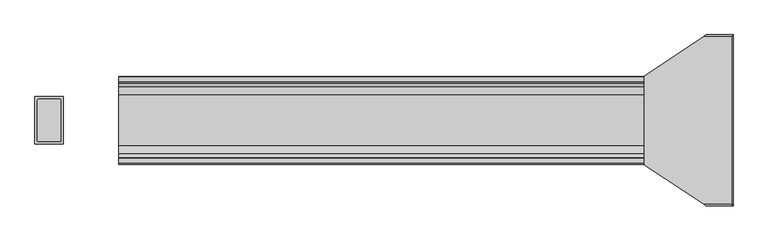
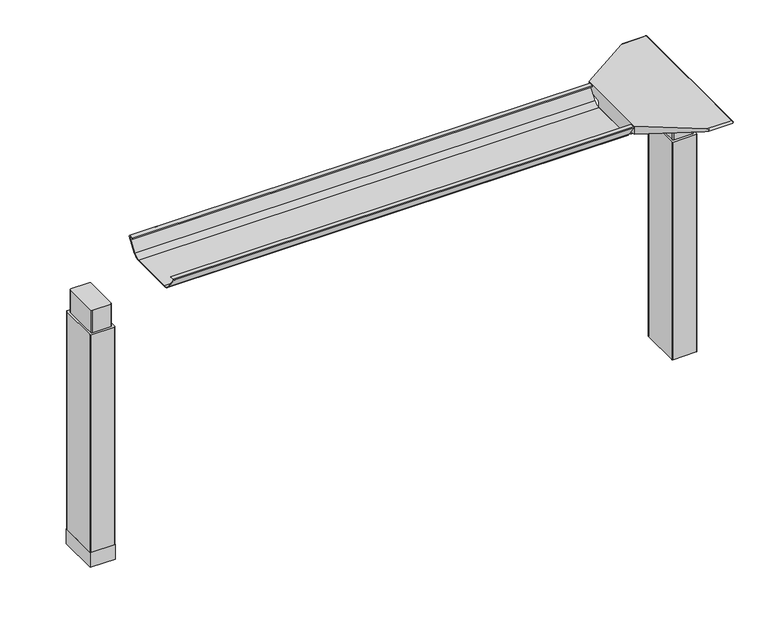
"""IFC4 building model written with IfcOpenShell, lengths in millimetres: furniture geometry."""

from ifc_helpers import new_model, si_unit, point, frame, frame_2d, origin, place, context, project, spatial, polyline, circle_curve, ellipse_curve, trimmed, segment, composite_curve, outline, extrude, source, transform, mapped, element, save
from ifc_brep_helpers import plane_surface, cylinder_surface, revolved_surface, advanced_brep


def furniture_7b3c4de7(model_context):
    return source(origin(), model_context, "Body", "SolidModel", [
        advanced_brep(
        [(565.7122138, 162.7292702, 658.5915733), (731.4406297, 162.7292702, 658.5915733), (728.9518591, 160.5008169, 655.9442785), (580.0924181, 160.5008169, 655.9442785), (554.2501644, 162.8754397, 662.4310191), (554.1075093, 162.9531058, 664.4710821), (551.4619573, 163.0290018, 666.4646485), (551.4619573, 163.3822827, 675.7443054), (734.0619089, 163.3822827, 675.7443054), (731.6625278, 162.738256, 658.8276054), (551.4619573, 168.8493181, 681.7839076), (734.9185362, 168.8493181, 681.7839076), (551.4619573, 202.6089953, 687.0209321), (673.2570453, 283.4205225, 699.5569507), (737.4393767, 283.4205225, 699.5569507), (737.5128152, 287.1965275, 700.0747243), (678.9480509, 287.1965275, 700.0747243), (738.1871296, 288.7067839, 704.8289399), (677.3404665, 286.1298888, 707.009), (736.4021288, 286.1298888, 707.009), (737.5128152, -68.7565275, 700.0747243), (738.1871296, -70.2667839, 704.8289399), (736.4021288, -67.6898888, 707.009), (677.3404665, -67.6898888, 707.009), (678.9480509, -68.7565275, 700.0747243), (737.4393767, -64.9805225, 699.5569507), (673.2570453, -64.9805225, 699.5569507), (551.4619573, 49.5906819, 681.7839076), (734.9185362, 49.5906819, 681.7839076), (551.4619573, 15.8310047, 687.0209321), (551.4619573, 55.0577173, 675.7443054), (734.0619089, 55.0577173, 675.7443054), (551.4619573, 55.4109982, 666.4646485), (554.1075093, 55.4868942, 664.4710821), (554.2501644, 55.5645603, 662.4310191), (565.7122138, 55.7107298, 658.5915733), (731.4406297, 55.7107298, 658.5915733), (731.6625278, 55.701744, 658.8276054), (580.0924181, 57.9391831, 655.9442785), (728.9518591, 57.9391831, 655.9442785), (551.4619573, 202.6089953, 707.009), (551.4619573, 15.8310047, 707.009)],
        [
            (0, 1),
            (1, 2),
            (2, 3),
            (3, 0, ellipse_curve(frame((589.9936465, 239.7670009, 750.1086722), z_axis=(0.0, 0.7650318638532565, -0.6439924279750596), x_axis=(0.0, -0.6439924279750596, -0.7650318638532564)), 123.7641411, 94.6835116)),
            (0, 4, ellipse_curve(frame((589.9936465, 166.2133686, 750.1086722), z_axis=(0.0, 0.9992761066836392, -0.03804290487315862), x_axis=(0.0, -0.03804290487315623, -0.9992761066836393)), 94.752102, 94.6835116)),
            (4, 5),
            (5, 6),
            (6, 7),
            (7, 8),
            (8, 9),
            (9, 1),
            (7, 10, circle_curve(frame((551.4619573, 169.8408409, 675.3922075), z_axis=(-1.0, 0.0, 0.0), x_axis=(0.0, 1.0, 0.0)), 6.4681487)),
            (10, 11),
            (11, 8, ellipse_curve(frame((734.0119691, 169.8408409, 675.3922075), z_axis=(0.9900906714849659, 0.0, -0.1404295632637567), x_axis=(-0.1404295632637562, 0.0, -0.9900906714849659)), 6.5328852, 6.4681487)),
            (10, 12),
            (12, 13),
            (13, 14),
            (14, 11),
            (15, 14),
            (13, 16),
            (16, 15),
            (17, 15, ellipse_curve(frame((737.9730772, 285.2194111, 703.3197755), z_axis=(-0.9900906714849659, 0.0, 0.1404295632637567), x_axis=(0.1404295632637562, 0.0, 0.9900906714849659)), 3.8379455, 3.7999141)),
            (16, 18, ellipse_curve(frame((675.96824, 285.2194111, 703.3197755), z_axis=(0.5528743936295236, -0.8332646067539331, 0.0), x_axis=(0.833264606753933, 0.5528743936295237, 0.0)), 6.8730151, 3.7999141)),
            (18, 19),
            (19, 17, ellipse_curve(frame((739.422811, 285.2194111, 703.3197755), z_axis=(-0.7737284588399557, 0.0, -0.633517380962154), x_axis=(0.6335173809621538, 0.0, -0.7737284588399556)), 4.9111727, 3.7999141)),
            (20, 21, ellipse_curve(frame((737.9730772, -66.7794111, 703.3197755), z_axis=(-0.9900906714849659, 0.0, 0.1404295632637567), x_axis=(0.1404295632637562, 0.0, 0.9900906714849659)), 3.8379455, 3.7999141)),
            (21, 22, ellipse_curve(frame((739.422811, -66.7794111, 703.3197755), z_axis=(-0.7737284588399557, 0.0, -0.633517380962154), x_axis=(0.6335173809621538, 0.0, -0.7737284588399556)), 4.9111727, 3.7999141)),
            (22, 23),
            (23, 24, ellipse_curve(frame((675.96824, -66.7794111, 703.3197755), z_axis=(0.5528743936295044, 0.8332646067539458, 0.0), x_axis=(0.8332646067539458, -0.5528743936295044, 0.0)), 6.8730151, 3.7999141)),
            (24, 20),
            (25, 20),
            (24, 26),
            (26, 25),
            (27, 28),
            (28, 25),
            (26, 29),
            (29, 27),
            (27, 30, circle_curve(frame((551.4619573, 48.5991591, 675.3922075), z_axis=(-1.0, 0.0, 0.0), x_axis=(0.0, 1.0, 0.0)), 6.4681487)),
            (30, 31),
            (31, 28, ellipse_curve(frame((734.0119691, 48.5991591, 675.3922075), z_axis=(0.9900906714849659, 0.0, -0.1404295632637567), x_axis=(-0.1404295632637562, 0.0, -0.9900906714849659)), 6.5328852, 6.4681487)),
            (30, 32),
            (32, 33),
            (33, 34),
            (34, 35, ellipse_curve(frame((589.9936465, 52.2266314, 750.1086722), z_axis=(0.0, -0.9992761066836363, -0.03804290487323539), x_axis=(0.0, -0.03804290487323121, 0.9992761066836364)), 94.752102, 94.6835116)),
            (35, 36),
            (36, 37),
            (37, 31),
            (35, 38, ellipse_curve(frame((589.9936465, -21.3270009, 750.1086722), z_axis=(0.0, -0.7650318638534733, -0.643992427974802), x_axis=(0.0, -0.643992427974802, 0.7650318638534732)), 123.7641411, 94.6835116)),
            (38, 39),
            (39, 36),
            (37, 9),
            (17, 21),
            (19, 22),
            (18, 40),
            (40, 41),
            (41, 23),
            (6, 32),
            (29, 41),
            (40, 12),
            (5, 33),
            (4, 34),
            (3, 38),
            (2, 39),
        ],
        [
            plane_surface(frame((551.4619573, 160.5008169, 655.9442785), z_axis=(0.0, 0.7650318638532565, -0.6439924279750596), x_axis=(1.0, 0.0, 0.0))),
            plane_surface(frame((551.4619573, 162.7292702, 658.5915733), z_axis=(0.0, 0.9992761066836392, -0.03804290487315862), x_axis=(1.0, 0.0, 0.0))),
            revolved_surface(polyline([(551.4619573, 176.3089896, 675.3922075), (734.9293793154882, 176.3089896, 675.3922075)]), (551.4619573, 169.8408409, 675.3922075), (-1.0, 0.0, 0.0)),
            plane_surface(frame((551.4619573, 168.8493181, 681.7839076), z_axis=(0.0, 0.15329313587140309, -0.988180760030629), x_axis=(1.0, 0.0, 0.0))),
            plane_surface(frame((551.4619573, 283.4205225, 699.5569507), z_axis=(0.0, 0.1358508546900816, -0.9907292996979419), x_axis=(1.0, 0.0, 0.0))),
            cylinder_surface(frame((551.4619573, 285.2194111, 703.3197755), z_axis=(1.0, 0.0, 0.0), x_axis=(0.0, 1.0, 0.0)), 3.7999141),
            cylinder_surface(frame((551.4619573, -66.7794111, 703.3197755), z_axis=(1.0, 0.0, 0.0), x_axis=(0.0, 1.0, 0.0)), 3.7999141),
            plane_surface(frame((551.4619573, -68.7565275, 700.0747243), z_axis=(0.0, -0.1358508546877776, -0.9907292996982578), x_axis=(1.0, 0.0, 0.0))),
            plane_surface(frame((551.4619573, -64.9805225, 699.5569507), z_axis=(0.0, -0.15329313587141113, -0.9881807600306277), x_axis=(1.0, 0.0, 0.0))),
            revolved_surface(polyline([(551.4619573, 55.0673078, 675.3922075), (734.9293793154882, 55.0673078, 675.3922075)]), (551.4619573, 48.5991591, 675.3922075), (-1.0, 0.0, 0.0)),
            plane_surface(frame((551.4619573, 55.0577173, 675.7443054), z_axis=(0.0, -0.9992761066836363, -0.03804290487323539), x_axis=(1.0, 0.0, 0.0))),
            plane_surface(frame((551.4619573, 55.7107298, 658.5915733), z_axis=(0.0, -0.7650318638534733, -0.643992427974802), x_axis=(1.0, 0.0, 0.0))),
            plane_surface(frame((731.6625278, -81.28, 658.8276054), z_axis=(0.9900906714849659, 0.0, -0.1404295632637567), x_axis=(0.0, 1.0, 0.0))),
            plane_surface(frame((738.1871296, -81.28, 704.8289399), z_axis=(0.7737284588399557, 0.0, 0.633517380962154), x_axis=(0.0, 1.0, 0.0))),
            plane_surface(frame((736.4021288, -81.28, 707.009), z_axis=(0.0, 0.0, 1.0), x_axis=(0.0, 1.0, 0.0))),
            plane_surface(frame((551.4619573, -81.28, 707.009), z_axis=(-1.0, 0.0, 0.0), x_axis=(0.0, 1.0, 0.0))),
            plane_surface(frame((551.4619573, -81.28, 666.4646485), z_axis=(-0.6018150231540728, 0.0, -0.7986355100457674), x_axis=(0.0, 1.0, 0.0))),
            plane_surface(frame((554.1075093, -81.28, 664.4710821), z_axis=(-0.9975640502598287, 0.0, -0.06975647374406109), x_axis=(0.0, 1.0, 0.0))),
            cylinder_surface(frame((589.9936465, -81.28, 750.1086722), z_axis=(0.0, -1.0, 0.0), x_axis=(-1.0, 0.0, 0.0)), 94.6835116),
            plane_surface(frame((580.0924181, -81.28, 655.9442785), z_axis=(0.0, 0.0, -1.0), x_axis=(0.0, 1.0, 0.0))),
            plane_surface(frame((728.9518591, -81.28, 655.9442785), z_axis=(0.7285846064222696, 0.0, -0.6849558170309284), x_axis=(0.0, 1.0, 0.0))),
            plane_surface(frame((551.4619573, 202.6089953, 707.009), z_axis=(-0.5528743936295236, 0.8332646067539331, 0.0), x_axis=(0.0, 0.0, -1.0))),
            plane_surface(frame((697.8228017, -81.28, 707.009), z_axis=(-0.5528743936295044, -0.8332646067539458, 0.0), x_axis=(0.0, 0.0, -1.0))),
        ],
        [
            (0, [[1, 2, 3, 4]]),
            (1, [[-1, 5, 6, 7, 8, 9, 10, 11]]),
            (2, [[-9, 12, 13, 14]]),
            (3, [[-13, 15, 16, 17, 18]]),
            (4, [[19, -17, 20, 21]]),
            (5, [[22, -21, 23, 24, 25]]),
            (6, [[26, 27, 28, 29, 30]]),
            (7, [[31, -30, 32, 33]]),
            (8, [[34, 35, -33, 36, 37]]),
            (9, [[-34, 38, 39, 40]]),
            (10, [[-39, 41, 42, 43, 44, 45, 46, 47]]),
            (11, [[-45, 48, 49, 50]]),
            (12, [[51, -10, -14, -18, -19, -22, 52, -26, -31, -35, -40, -47]]),
            (13, [[-52, -25, 53, -27]]),
            (14, [[-53, -24, 54, 55, 56, -28]]),
            (15, [[57, -41, -38, -37, 58, -55, 59, -15, -12, -8]]),
            (16, [[-57, -7, 60, -42]]),
            (17, [[-60, -6, 61, -43]]),
            (18, [[-61, -5, -4, 62, -48, -44]]),
            (19, [[-62, -3, 63, -49]]),
            (20, [[-51, -46, -50, -63, -2, -11]]),
            (21, [[-54, -23, -20, -16, -59]]),
            (22, [[-56, -58, -36, -32, -29]]),
        ],
    ),
        advanced_brep(
        [(-551.2773962, 187.9031697, 701.7794894), (-551.2773962, 189.6675242, 704.0075511), (-551.2773962, 200.6481225, 704.0075511), (-551.2773962, 201.3782919, 701.4093085), (-551.2773962, 179.9519108, 671.8462148), (-551.2773962, 162.5510914, 663.2452863), (-551.2773962, 55.7632156, 663.2452863), (-551.2773962, 38.1354217, 672.2997482), (-551.2773962, 16.8007138, 702.0706054), (-551.2773962, 18.4392766, 704.1266572), (-551.2773962, 28.6544098, 704.1266572), (-551.2773962, 30.5253848, 701.7794894), (-551.2773962, 29.7841637, 701.2423822), (-551.2773962, 28.2139363, 703.2122572), (-551.2773962, 18.5353238, 703.2122572), (-551.2773962, 17.7294351, 702.3444366), (-551.2773962, 38.8786744, 672.8323858), (-551.2773962, 55.7632156, 664.1598536), (-551.2773962, 162.5510914, 664.1596863), (-551.2773962, 179.21844, 672.3923713), (-551.2773962, 200.5721627, 701.8552144), (-551.2773962, 200.3148942, 703.0931511), (-551.2773962, 190.109809, 703.0931511), (-551.2773962, 188.6442719, 701.2424419), (551.4619573, 187.9031697, 701.7794894), (551.4619573, 188.6442719, 701.2424419), (551.4619573, 190.109809, 703.0931511), (551.4619573, 200.3148942, 703.0931511), (551.4619573, 200.5721627, 701.8552144), (551.4619573, 179.21844, 672.3923713), (551.4619573, 162.5510914, 664.1596863), (551.4619573, 55.7632155, 664.1596863), (551.4619573, 38.8786744, 672.8323858), (551.4619573, 17.7294351, 702.3444366), (551.4619573, 18.5353238, 703.2122572), (551.4619573, 28.2139363, 703.2122572), (551.4619573, 29.7841637, 701.2423822), (551.4619573, 30.5253848, 701.7794894), (551.4619573, 28.6544098, 704.1266572), (551.4619573, 18.4392766, 704.1266572), (551.4619573, 16.8007138, 702.0706054), (551.4619573, 38.1354217, 672.2997482), (551.4619573, 55.7632156, 663.2454536), (551.4619573, 162.5510914, 663.2452863), (551.4619573, 179.9519108, 671.8462148), (551.4619573, 201.3782919, 701.4093085), (551.4619573, 200.6481225, 704.0075511), (551.4619573, 189.6675242, 704.0075511)],
        [
            (0, 1),
            (1, 2),
            (2, 3, circle_curve(frame((-551.2773962, 199.4305576, 702.2636667), z_axis=(-1.0, 0.0, 0.0), x_axis=(0.0, 1.0, 0.0)), 2.1268749)),
            (3, 4),
            (4, 5, circle_curve(frame((-551.2773962, 162.5510914, 685.1478336), z_axis=(-1.0, 0.0, 0.0), x_axis=(0.0, 1.0, 0.0)), 21.9025472)),
            (5, 6),
            (6, 7, circle_curve(frame((-551.2773962, 55.7632156, 684.932365), z_axis=(-1.0, 0.0, 0.0), x_axis=(0.0, 1.0, 0.0)), 21.6869114)),
            (7, 8),
            (8, 9, circle_curve(frame((-551.2773962, 18.8010635, 702.1573833), z_axis=(-1.0, 0.0, 0.0), x_axis=(0.0, 1.0, 0.0)), 2.0022311)),
            (9, 10),
            (10, 11),
            (11, 12),
            (12, 13),
            (13, 14),
            (14, 15, circle_curve(frame((-551.2773962, 18.8010635, 702.1573833), z_axis=(1.0, 0.0, 0.0), x_axis=(0.0, 1.0, 0.0)), 1.0878311)),
            (15, 16),
            (16, 17, circle_curve(frame((-551.2773962, 55.7632156, 684.932365), z_axis=(1.0, 0.0, 0.0), x_axis=(0.0, 1.0, 0.0)), 20.7725114)),
            (17, 18),
            (18, 19, circle_curve(frame((-551.2773962, 162.5510914, 685.1478336), z_axis=(1.0, 0.0, 0.0), x_axis=(0.0, 1.0, 0.0)), 20.9881473)),
            (19, 20),
            (20, 21, circle_curve(frame((-551.2773962, 199.4305576, 702.2636667), z_axis=(1.0, 0.0, 0.0), x_axis=(0.0, 1.0, 0.0)), 1.2124749)),
            (21, 22),
            (22, 23),
            (23, 0),
            (24, 25),
            (25, 26),
            (26, 27),
            (27, 28, circle_curve(frame((551.4619573, 199.4305576, 702.2636667), z_axis=(-1.0, 0.0, 0.0), x_axis=(0.0, 1.0, 0.0)), 1.2124749)),
            (28, 29),
            (29, 30, circle_curve(frame((551.4619573, 162.5510914, 685.1478336), z_axis=(-1.0, 0.0, 0.0), x_axis=(0.0, 1.0, 0.0)), 20.9881473)),
            (30, 31),
            (31, 32, circle_curve(frame((551.4619573, 55.7632156, 684.932365), z_axis=(-1.0, 0.0, 0.0), x_axis=(0.0, 1.0, 0.0)), 20.7725114)),
            (32, 33),
            (33, 34, circle_curve(frame((551.4619573, 18.8010635, 702.1573833), z_axis=(-1.0, 0.0, 0.0), x_axis=(0.0, 1.0, 0.0)), 1.0878311)),
            (34, 35),
            (35, 36),
            (36, 37),
            (37, 38),
            (38, 39),
            (39, 40, circle_curve(frame((551.4619573, 18.8010635, 702.1573833), z_axis=(1.0, 0.0, 0.0), x_axis=(0.0, 1.0, 0.0)), 2.0022311)),
            (40, 41),
            (41, 42, circle_curve(frame((551.4619573, 55.7632156, 684.932365), z_axis=(1.0, 0.0, 0.0), x_axis=(0.0, 1.0, 0.0)), 21.6869114)),
            (42, 43),
            (43, 44, circle_curve(frame((551.4619573, 162.5510914, 685.1478336), z_axis=(1.0, 0.0, 0.0), x_axis=(0.0, 1.0, 0.0)), 21.9025472)),
            (44, 45),
            (45, 46, circle_curve(frame((551.4619573, 199.4305576, 702.2636667), z_axis=(1.0, 0.0, 0.0), x_axis=(0.0, 1.0, 0.0)), 2.1268749)),
            (46, 47),
            (47, 24),
            (0, 24),
            (47, 1),
            (46, 2),
            (45, 3),
            (44, 4),
            (43, 5),
            (42, 6),
            (41, 7),
            (40, 8),
            (39, 9),
            (38, 10),
            (37, 11),
            (36, 12),
            (35, 13),
            (34, 14),
            (33, 15),
            (32, 16),
            (31, 17),
            (30, 18),
            (29, 19),
            (28, 20),
            (27, 21),
            (26, 22),
            (25, 23),
        ],
        [
            plane_surface(frame((-551.2773962, 109.22, 707.009), z_axis=(-1.0, 0.0, 0.0), x_axis=(0.0, 0.0, 1.0))),
            plane_surface(frame((551.4619573, 109.22, 707.009), z_axis=(1.0, 0.0, 0.0), x_axis=(0.0, 0.0, 1.0))),
            plane_surface(frame((-551.2773962, 187.9031697, 701.7794894), z_axis=(0.0, -0.7839649337165058, 0.6208051084703434), x_axis=(1.0, 0.0, 0.0))),
            plane_surface(frame((-551.2773962, 189.6675242, 704.0075511), z_axis=(0.0, 0.0, 1.0), x_axis=(1.0, 0.0, 0.0))),
            cylinder_surface(frame((-551.2773962, 199.4305576, 702.2636667), z_axis=(-1.0, 0.0, 0.0), x_axis=(0.0, 1.0, 0.0)), 2.1268749),
            plane_surface(frame((-551.2773962, 201.3782919, 701.4093085), z_axis=(0.0, 0.8096997445281038, -0.586844377762217), x_axis=(1.0, 0.0, 0.0))),
            cylinder_surface(frame((-551.2773962, 162.5510914, 685.1478336), z_axis=(-1.0, 0.0, 0.0), x_axis=(0.0, 1.0, 0.0)), 21.9025472),
            plane_surface(frame((-551.2773962, 162.5510914, 663.2452863), z_axis=(0.0, 0.0, -1.0), x_axis=(1.0, 0.0, 0.0))),
            cylinder_surface(frame((-551.2773962, 55.7632156, 684.932365), z_axis=(-1.0, 0.0, 0.0), x_axis=(0.0, 1.0, 0.0)), 21.6869114),
            plane_surface(frame((-551.2773962, 38.1354217, 672.2997482), z_axis=(0.0, -0.8128309997561537, -0.5824995844079305), x_axis=(1.0, 0.0, 0.0))),
            cylinder_surface(frame((-551.2773962, 18.8010635, 702.1573833), z_axis=(-1.0, 0.0, 0.0), x_axis=(0.0, 1.0, 0.0)), 2.0022311),
            plane_surface(frame((-551.2773962, 18.4392766, 704.1266572), z_axis=(0.0, 0.0, 1.0), x_axis=(1.0, 0.0, 0.0))),
            plane_surface(frame((-551.2773962, 28.6544098, 704.1266572), z_axis=(0.0, 0.7819660587237972, 0.6233210112004657), x_axis=(1.0, 0.0, 0.0))),
            plane_surface(frame((-551.2773962, 30.5253848, 701.7794894), z_axis=(0.0, 0.5867684336468096, -0.8097547809526473), x_axis=(1.0, 0.0, 0.0))),
            plane_surface(frame((-551.2773962, 29.7841637, 701.2423822), z_axis=(0.0, -0.7819660587239206, -0.6233210112003109), x_axis=(1.0, 0.0, 0.0))),
            plane_surface(frame((-551.2773962, 28.2139363, 703.2122572), z_axis=(0.0, 0.0, -1.0), x_axis=(1.0, 0.0, 0.0))),
            revolved_surface(polyline([(551.4619573000001, 19.8888946, 702.1573833), (-551.2773962, 19.8888946, 702.1573833)]), (-551.2773962, 18.8010635, 702.1573833), (1.0, 0.0, 0.0)),
            plane_surface(frame((-551.2773962, 17.7294351, 702.3444366), z_axis=(0.0, 0.8128309996716102, 0.582499584525904), x_axis=(1.0, 0.0, 0.0))),
            revolved_surface(polyline([(551.4619573000001, 76.53572700000001, 684.932365), (-551.2773962, 76.53572700000001, 684.932365)]), (-551.2773962, 55.7632156, 684.932365), (1.0, 0.0, 0.0)),
            plane_surface(frame((-551.2773962, 55.7632155, 664.1596863), z_axis=(0.0, 0.0, 1.0), x_axis=(1.0, 0.0, 0.0))),
            revolved_surface(polyline([(551.4619573000001, 183.5392387, 685.1478336), (-551.2773962, 183.5392387, 685.1478336)]), (-551.2773962, 162.5510914, 685.1478336), (1.0, 0.0, 0.0)),
            plane_surface(frame((-551.2773962, 179.21844, 672.3923713), z_axis=(0.0, -0.8096997449536107, 0.5868443771751228), x_axis=(1.0, 0.0, 0.0))),
            revolved_surface(polyline([(551.4619573000001, 200.64303249999998, 702.2636667), (-551.2773962, 200.64303249999998, 702.2636667)]), (-551.2773962, 199.4305576, 702.2636667), (1.0, 0.0, 0.0)),
            plane_surface(frame((-551.2773962, 200.3148942, 703.0931511), z_axis=(0.0, 0.0, -1.0), x_axis=(1.0, 0.0, 0.0))),
            plane_surface(frame((-551.2773962, 190.109809, 703.0931511), z_axis=(0.0, 0.7839649337164979, -0.6208051084703533), x_axis=(1.0, 0.0, 0.0))),
            plane_surface(frame((-551.2773962, 188.6442719, 701.2424419), z_axis=(0.0, -0.5867873637752554, -0.8097410633737715), x_axis=(1.0, 0.0, 0.0))),
        ],
        [
            (0, [[1, 2, 3, 4, 5, 6, 7, 8, 9, 10, 11, 12, 13, 14, 15, 16, 17, 18, 19, 20, 21, 22, 23, 24]]),
            (1, [[25, 26, 27, 28, 29, 30, 31, 32, 33, 34, 35, 36, 37, 38, 39, 40, 41, 42, 43, 44, 45, 46, 47, 48]]),
            (2, [[-1, 49, -48, 50]]),
            (3, [[-2, -50, -47, 51]]),
            (4, [[-3, -51, -46, 52]]),
            (5, [[-4, -52, -45, 53]]),
            (6, [[-5, -53, -44, 54]]),
            (7, [[-6, -54, -43, 55]]),
            (8, [[-7, -55, -42, 56]]),
            (9, [[-8, -56, -41, 57]]),
            (10, [[-9, -57, -40, 58]]),
            (11, [[-10, -58, -39, 59]]),
            (12, [[-11, -59, -38, 60]]),
            (13, [[-12, -60, -37, 61]]),
            (14, [[-13, -61, -36, 62]]),
            (15, [[-14, -62, -35, 63]]),
            (16, [[-15, -63, -34, 64]]),
            (17, [[-16, -64, -33, 65]]),
            (18, [[-17, -65, -32, 66]]),
            (19, [[-18, -66, -31, 67]]),
            (20, [[-19, -67, -30, 68]]),
            (21, [[-20, -68, -29, 69]]),
            (22, [[-21, -69, -28, 70]]),
            (23, [[-22, -70, -27, 71]]),
            (24, [[-23, -71, -26, 72]]),
            (25, [[-24, -72, -25, -49]]),
        ],
    ),
        advanced_brep(
        [(675.0283088, 153.9682497, 655.9442785), (672.2624028, 151.6150111, 655.9442785), (672.2624028, 66.8413858, 655.9442785), (675.3159671, 64.491987, 655.9442785), (718.6299922, 64.4717503, 655.9442785), (721.6895972, 66.8414936, 655.9442785), (721.6895972, 151.6150956, 655.9442785), (718.9236912, 153.9682497, 655.9442785), (675.0283088, 153.9682497, 599.0990058), (718.9236912, 153.9682497, 599.0990058), (721.6895972, 151.6150956, 599.0990058), (721.6895972, 66.8414936, 599.0990058), (718.6360098, 64.4919923, 599.0990058), (675.3220078, 64.4717503, 599.0990058), (672.2624028, 66.8413858, 599.0990058), (672.2624028, 151.6150111, 599.0990058)],
        [
            (0, 1, circle_curve(frame((675.3300788, 150.8114719, 655.9442785), z_axis=(0.0, 0.0, 1.0), x_axis=(1.0, 0.0, 0.0)), 3.1711688)),
            (1, 2),
            (2, 3, circle_curve(frame((675.3159671, 67.651078, 655.9442785), z_axis=(0.0, 0.0, 1.0), x_axis=(1.0, 0.0, 0.0)), 3.1590911)),
            (3, 4),
            (4, 5, circle_curve(frame((718.6360098, 67.651078, 655.9442785), z_axis=(0.0, 0.0, 1.0), x_axis=(1.0, 0.0, 0.0)), 3.1590858)),
            (5, 6),
            (6, 7, circle_curve(frame((718.6219439, 150.8114698, 655.9442785), z_axis=(0.0, 0.0, 1.0), x_axis=(1.0, 0.0, 0.0)), 3.1711687)),
            (7, 0),
            (8, 9),
            (9, 10, circle_curve(frame((718.6219439, 150.8114698, 599.0990058), z_axis=(0.0, 0.0, -1.0), x_axis=(1.0, 0.0, 0.0)), 3.1711687)),
            (10, 11),
            (11, 12, circle_curve(frame((718.6360098, 67.651078, 599.0990058), z_axis=(0.0, 0.0, -1.0), x_axis=(1.0, 0.0, 0.0)), 3.1590858)),
            (12, 13),
            (13, 14, circle_curve(frame((675.3159671, 67.651078, 599.0990058), z_axis=(0.0, 0.0, -1.0), x_axis=(1.0, 0.0, 0.0)), 3.1590911)),
            (14, 15),
            (15, 8, circle_curve(frame((675.3300788, 150.8114719, 599.0990058), z_axis=(0.0, 0.0, -1.0), x_axis=(1.0, 0.0, 0.0)), 3.1711688)),
            (7, 9),
            (8, 0),
            (6, 10),
            (5, 11),
            (4, 12),
            (3, 13),
            (2, 14),
            (1, 15),
        ],
        [
            plane_surface(frame((678.5012476, 150.8114719, 655.9442785), z_axis=(0.0, 0.0, 1.0), x_axis=(0.0, 1.0, 0.0))),
            plane_surface(frame((678.5012476, 150.8114719, 599.0990058), z_axis=(0.0, 0.0, -1.0), x_axis=(0.0, -1.0, 0.0))),
            plane_surface(frame((718.9236912, 153.9682497, 655.9442785), z_axis=(0.0, 1.0, 0.0), x_axis=(0.0, 0.0, -1.0))),
            cylinder_surface(frame((718.6219439, 150.8114698, 599.0990058), z_axis=(0.0, 0.0, 1.0), x_axis=(1.0, 0.0, 0.0)), 3.1711687),
            plane_surface(frame((721.6895972, 66.8414936, 655.9442785), z_axis=(1.0, 0.0, 0.0), x_axis=(0.0, 0.0, -1.0))),
            cylinder_surface(frame((718.6360098, 67.651078, 599.0990058), z_axis=(0.0, 0.0, 1.0), x_axis=(1.0, 0.0, 0.0)), 3.1590858),
            plane_surface(frame((675.3220078, 64.4717503, 655.9442785), z_axis=(0.0, -1.0, 0.0), x_axis=(0.0, 0.0, -1.0))),
            cylinder_surface(frame((675.3159671, 67.651078, 599.0990058), z_axis=(0.0, 0.0, 1.0), x_axis=(1.0, 0.0, 0.0)), 3.1590911),
            plane_surface(frame((672.2624028, 151.6150111, 655.9442785), z_axis=(-1.0, 0.0, 0.0), x_axis=(0.0, 0.0, -1.0))),
            cylinder_surface(frame((675.3300788, 150.8114719, 599.0990058), z_axis=(0.0, 0.0, 1.0), x_axis=(1.0, 0.0, 0.0)), 3.1711688),
        ],
        [
            (0, [[1, 2, 3, 4, 5, 6, 7, 8]]),
            (1, [[9, 10, 11, 12, 13, 14, 15, 16]]),
            (2, [[-8, 17, -9, 18]]),
            (3, [[-7, 19, -10, -17]]),
            (4, [[-6, 20, -11, -19]]),
            (5, [[-5, 21, -12, -20]]),
            (6, [[-4, 22, -13, -21]]),
            (7, [[-3, 23, -14, -22]]),
            (8, [[-2, 24, -15, -23]]),
            (9, [[-1, -18, -16, -24]]),
        ],
    ),
        advanced_brep(
        [(-675.0283088, 153.9682497, 655.9442785), (-718.9236912, 153.9682497, 655.9442785), (-721.6806448, 151.6485241, 655.9442785), (-721.6806448, 66.8084508, 655.9442785), (-718.6360098, 64.4919923, 655.9442785), (-675.3220078, 64.4717503, 655.9442785), (-672.2713552, 66.8083475, 655.9442785), (-672.2713552, 151.6484433, 655.9442785), (-675.0283088, 153.9682497, 599.0990058), (-672.2713552, 151.6484433, 599.0990058), (-672.2713552, 66.8083475, 599.0990058), (-675.3159671, 64.491987, 599.0990058), (-718.6299922, 64.4717503, 599.0990058), (-721.6806448, 66.8084508, 599.0990058), (-721.6806448, 151.6485241, 599.0990058), (-718.9236912, 153.9682497, 599.0990058)],
        [
            (0, 1),
            (1, 2, circle_curve(frame((-718.6219439, 150.8114698, 655.9442785), z_axis=(0.0, 0.0, 1.0), x_axis=(-1.0, 0.0, 0.0)), 3.1711687)),
            (2, 3),
            (3, 4, circle_curve(frame((-718.6360098, 67.651078, 655.9442785), z_axis=(0.0, 0.0, 1.0), x_axis=(-1.0, 0.0, 0.0)), 3.1590858)),
            (4, 5),
            (5, 6, circle_curve(frame((-675.3159671, 67.6510781, 655.9442785), z_axis=(0.0, 0.0, 1.0), x_axis=(-1.0, 0.0, 0.0)), 3.1590911)),
            (6, 7),
            (7, 0, circle_curve(frame((-675.3300788, 150.8114719, 655.9442785), z_axis=(0.0, 0.0, 1.0), x_axis=(-1.0, 0.0, 0.0)), 3.1711688)),
            (8, 9, circle_curve(frame((-675.3300788, 150.8114719, 599.0990058), z_axis=(0.0, 0.0, -1.0), x_axis=(-1.0, 0.0, 0.0)), 3.1711688)),
            (9, 10),
            (10, 11, circle_curve(frame((-675.3159671, 67.6510781, 599.0990058), z_axis=(0.0, 0.0, -1.0), x_axis=(-1.0, 0.0, 0.0)), 3.1590911)),
            (11, 12),
            (12, 13, circle_curve(frame((-718.6360098, 67.651078, 599.0990058), z_axis=(0.0, 0.0, -1.0), x_axis=(-1.0, 0.0, 0.0)), 3.1590858)),
            (13, 14),
            (14, 15, circle_curve(frame((-718.6219439, 150.8114698, 599.0990058), z_axis=(0.0, 0.0, -1.0), x_axis=(-1.0, 0.0, 0.0)), 3.1711687)),
            (15, 8),
            (0, 8),
            (15, 1),
            (14, 2),
            (13, 3),
            (12, 4),
            (11, 5),
            (10, 6),
            (9, 7),
        ],
        [
            plane_surface(frame((-718.9236912, 153.9682497, 655.9442785), z_axis=(0.0, 0.0, 1.0), x_axis=(-1.0, 0.0, 0.0))),
            plane_surface(frame((-718.9236912, 153.9682497, 599.0990058), z_axis=(0.0, 0.0, -1.0), x_axis=(1.0, 0.0, 0.0))),
            plane_surface(frame((-675.0283088, 153.9682497, 655.9442785), z_axis=(0.0, 1.0, 0.0), x_axis=(0.0, 0.0, -1.0))),
            cylinder_surface(frame((-718.6219439, 150.8114698, 599.0990058), z_axis=(0.0, 0.0, 1.0), x_axis=(-1.0, 0.0, 0.0)), 3.1711687),
            plane_surface(frame((-721.6806448, 151.6485241, 655.9442785), z_axis=(-1.0, 0.0, 0.0), x_axis=(0.0, 0.0, -1.0))),
            cylinder_surface(frame((-718.6360098, 67.651078, 599.0990058), z_axis=(0.0, 0.0, 1.0), x_axis=(-1.0, 0.0, 0.0)), 3.1590858),
            plane_surface(frame((-718.6299922, 64.4717503, 655.9442785), z_axis=(0.0, -1.0, 0.0), x_axis=(0.0, 0.0, -1.0))),
            cylinder_surface(frame((-675.3159671, 67.6510781, 599.0990058), z_axis=(0.0, 0.0, 1.0), x_axis=(-1.0, 0.0, 0.0)), 3.1590911),
            plane_surface(frame((-672.2713552, 66.8083475, 655.9442785), z_axis=(1.0, 0.0, 0.0), x_axis=(0.0, 0.0, -1.0))),
            cylinder_surface(frame((-675.3300788, 150.8114719, 599.0990058), z_axis=(0.0, 0.0, 1.0), x_axis=(-1.0, 0.0, 0.0)), 3.1711688),
        ],
        [
            (0, [[1, 2, 3, 4, 5, 6, 7, 8]]),
            (1, [[9, 10, 11, 12, 13, 14, 15, 16]]),
            (2, [[-1, 17, -16, 18]]),
            (3, [[-2, -18, -15, 19]]),
            (4, [[-3, -19, -14, 20]]),
            (5, [[-4, -20, -13, 21]]),
            (6, [[-5, -21, -12, 22]]),
            (7, [[-6, -22, -11, 23]]),
            (8, [[-7, -23, -10, 24]]),
            (9, [[-8, -24, -9, -17]]),
        ],
    ),
        extrude(outline(composite_curve([segment(trimmed(circle_curve(frame_2d((-669.316092, 156.945908)), 2.248592), [point((-669.316092, 159.1945))], [point((-667.0675, 156.945908))], False, "CARTESIAN"), True, "CONTINUOUS"), segment(polyline([(-667.0675, 156.945908), (-667.0675, 61.4941469)]), True, "CONTINUOUS"), segment(trimmed(circle_curve(frame_2d((-669.3161469, 61.4941469)), 2.2486469), [point((-667.0675, 61.4941469))], [point((-669.3161469, 59.2455))], False, "CARTESIAN"), True, "CONTINUOUS"), segment(polyline([(-669.3161469, 59.2455), (-724.635908, 59.2455)]), True, "CONTINUOUS"), segment(trimmed(circle_curve(frame_2d((-724.635908, 61.494092)), 2.248592), [point((-724.635908, 59.2455))], [point((-726.8845, 61.494092))], False, "CARTESIAN"), True, "CONTINUOUS"), segment(polyline([(-726.8845, 61.494092), (-726.8845, 156.945908)]), True, "CONTINUOUS"), segment(trimmed(circle_curve(frame_2d((-724.635908, 156.945908)), 2.248592), [point((-726.8845, 156.945908))], [point((-724.635908, 159.1945))], False, "CARTESIAN"), True, "CONTINUOUS"), segment(polyline([(-724.635908, 159.1945), (-669.316092, 159.1945)]), True, "CONTINUOUS")], self_intersect=False)), frame((0.0, 0.0, 48.1000573), z_axis=(0.0, 0.0, 1.0), x_axis=(1.0, 0.0, 0.0)), (0.0, 0.0, 1.0), 550.9989485),
        advanced_brep(
        [(-696.976, 127.2221653, 10.2361894), (-696.976, 141.2419153, 10.2361894), (-696.976, 140.8547401, 8.7946116), (-696.976, 127.6093405, 8.7946116), (-696.976, 134.2320403, 10.2361894), (-696.976, 113.2751519, 0.0), (-696.976, 155.1889286, 0.0), (-696.976, 134.2320403, 0.0), (-696.976, 111.7314216, 1.5436985), (-696.976, 156.732659, 1.5436985), (-696.976, 111.7314763, 4.1072626), (-696.976, 156.7326043, 4.1072626), (-696.976, 113.2713167, 5.9174378), (-696.976, 155.1927639, 5.9174378)],
        [
            (0, 1, circle_curve(frame((-696.976, 134.2320403, 10.2361894), z_axis=(0.0, 0.0, -1.0), x_axis=(0.0, 1.0, 0.0)), 7.009875)),
            (1, 2),
            (2, 3, circle_curve(frame((-696.976, 134.2320403, 8.7946116), z_axis=(0.0, 0.0, 1.0), x_axis=(0.0, 1.0, 0.0)), 6.6226998)),
            (3, 0),
            (1, 0, circle_curve(frame((-696.976, 134.2320403, 10.2361894), z_axis=(0.0, 0.0, -1.0), x_axis=(0.0, 1.0, 0.0)), 7.009875)),
            (3, 2, circle_curve(frame((-696.976, 134.2320403, 8.7946116), z_axis=(0.0, 0.0, 1.0), x_axis=(0.0, 1.0, 0.0)), 6.6226998)),
            (4, 1),
            (0, 4),
            (5, 6, circle_curve(frame((-696.976, 134.2320403, 0.0), z_axis=(0.0, 0.0, -1.0), x_axis=(0.0, 1.0, 0.0)), 20.9568884)),
            (6, 7),
            (7, 5),
            (6, 5, circle_curve(frame((-696.976, 134.2320403, 0.0), z_axis=(0.0, 0.0, -1.0), x_axis=(0.0, 1.0, 0.0)), 20.9568884)),
            (8, 9, circle_curve(frame((-696.976, 134.2320403, 1.5436985), z_axis=(0.0, 0.0, -1.0), x_axis=(0.0, 1.0, 0.0)), 22.5006187)),
            (9, 6),
            (5, 8),
            (9, 8, circle_curve(frame((-696.976, 134.2320403, 1.5436985), z_axis=(0.0, 0.0, -1.0), x_axis=(0.0, 1.0, 0.0)), 22.5006187)),
            (10, 11, circle_curve(frame((-696.976, 134.2320403, 4.1072626), z_axis=(0.0, 0.0, -1.0), x_axis=(0.0, 1.0, 0.0)), 22.500564)),
            (11, 9),
            (8, 10),
            (11, 10, circle_curve(frame((-696.976, 134.2320403, 4.1072626), z_axis=(0.0, 0.0, -1.0), x_axis=(0.0, 1.0, 0.0)), 22.500564)),
            (12, 13, circle_curve(frame((-696.976, 134.2320403, 5.9174378), z_axis=(0.0, 0.0, -1.0), x_axis=(0.0, 1.0, 0.0)), 20.9607236)),
            (13, 11),
            (10, 12),
            (13, 12, circle_curve(frame((-696.976, 134.2320403, 5.9174378), z_axis=(0.0, 0.0, -1.0), x_axis=(0.0, 1.0, 0.0)), 20.9607236)),
            (2, 13),
            (12, 3),
        ],
        [
            revolved_surface(polyline([(-696.976, 140.8547401, 8.7946116), (-696.976, 141.2419153, 10.2361894)]), (-696.976, 134.2320403, 0.0), (0.0, 0.0, 1.0)),
            plane_surface(frame((-696.976, 134.2320403, 10.2361894), z_axis=(0.0, 0.0, 1.0), x_axis=(0.0, 1.0, 0.0))),
            plane_surface(frame((-696.976, 134.2320403, 0.0), z_axis=(0.0, 0.0, -1.0), x_axis=(0.0, 1.0, 0.0))),
            revolved_surface(polyline([(-696.976, 155.1889286, 0.0), (-696.976, 156.732659, 1.5436985)]), (-696.976, 134.2320403, 0.0), (0.0, 0.0, 1.0)),
            cylinder_surface(frame((-696.976, 134.2320403, 0.0), z_axis=(0.0, 0.0, 1.0), x_axis=(0.0, 1.0, 0.0)), 22.500564),
            revolved_surface(polyline([(-696.976, 156.7327498, 4.1072626), (-696.976, 155.1927639, 5.9174378)]), (-696.976, 134.2320403, 0.0), (0.0, 0.0, 1.0)),
            revolved_surface(polyline([(-696.976, 155.1927639, 5.9174378), (-696.976, 140.8547401, 8.7946116)]), (-696.976, 134.2320403, 0.0), (0.0, 0.0, 1.0)),
        ],
        [
            (0, [[1, 2, 3, 4]]),
            (0, [[5, -4, 6, -2]]),
            (1, [[7, -1, 8]]),
            (1, [[-8, -5, -7]]),
            (2, [[9, 10, 11]]),
            (2, [[12, -11, -10]]),
            (3, [[13, 14, -9, 15]]),
            (3, [[16, -15, -12, -14]]),
            (4, [[17, 18, -13, 19]]),
            (4, [[20, -19, -16, -18]]),
            (5, [[21, 22, -17, 23]]),
            (5, [[24, -23, -20, -22]]),
            (6, [[-3, 25, -21, 26]]),
            (6, [[-6, -26, -24, -25]]),
        ],
    ),
        extrude(outline(polyline([(-667.0675, 158.9882127), (-667.0675, 59.6052169), (-726.8845, 59.6052169), (-726.8845, 158.9882127), (-667.0675, 158.9882127)])), frame((0.0, 0.0, 10.2361894), z_axis=(0.0, 0.0, 1.0), x_axis=(1.0, 0.0, 0.0)), (0.0, 0.0, 1.0), 37.8638679),
        extrude(outline(composite_curve([segment(trimmed(circle_curve(frame_2d((724.5521079, 156.8621079)), 2.3323921), [point((724.5521079, 159.1945))], [point((726.8845, 156.8621079))], False, "CARTESIAN"), True, "CONTINUOUS"), segment(polyline([(726.8845, 156.8621079), (726.8845, 61.5778921)]), True, "CONTINUOUS"), segment(trimmed(circle_curve(frame_2d((724.5521079, 61.5778921)), 2.3323921), [point((726.8845, 61.5778921))], [point((724.5521079, 59.2455))], False, "CARTESIAN"), True, "CONTINUOUS"), segment(polyline([(724.5521079, 59.2455), (669.3998921, 59.2455)]), True, "CONTINUOUS"), segment(trimmed(circle_curve(frame_2d((669.3998921, 61.5778921)), 2.3323921), [point((669.3998921, 59.2455))], [point((667.0675, 61.5778921))], False, "CARTESIAN"), True, "CONTINUOUS"), segment(polyline([(667.0675, 61.5778921), (667.0675, 156.8621079)]), True, "CONTINUOUS"), segment(trimmed(circle_curve(frame_2d((669.3998921, 156.8621079)), 2.3323921), [point((667.0675, 156.8621079))], [point((669.3998921, 159.1945))], False, "CARTESIAN"), True, "CONTINUOUS"), segment(polyline([(669.3998921, 159.1945), (724.5521079, 159.1945)]), True, "CONTINUOUS")], self_intersect=False)), frame((0.0, 0.0, 48.1000573), z_axis=(0.0, 0.0, 1.0), x_axis=(1.0, 0.0, 0.0)), (0.0, 0.0, 1.0), 550.9989485),
    ])


if __name__ == "__main__":
    model = new_model("IFC4")
    model_context = context("Model", 3, world=origin())
    ifc_project = project(units=[si_unit("LENGTHUNIT", "METRE", prefix="MILLI")], contexts=[model_context])
    site = spatial("IfcSite", under=ifc_project)
    building = spatial("IfcBuilding", under=site)
    placement = place(None, origin())
    furniture_shape = furniture_7b3c4de7(model_context)
    element("IfcFurniture", 1, at=placement, inside=building, context=model_context, shape_type="MappedRepresentation", body=[
        mapped(furniture_shape, transform((0.0, 0.0, 0.0), x_axis=(1.0, 0.0, 0.0), y_axis=(0.0, 1.0, 0.0), z_axis=(0.0, 0.0, 1.0))),
    ])
    save(model, "model.ifc")
